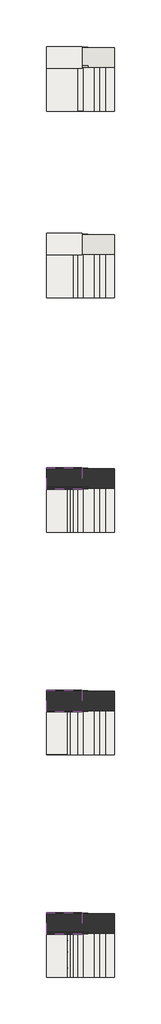
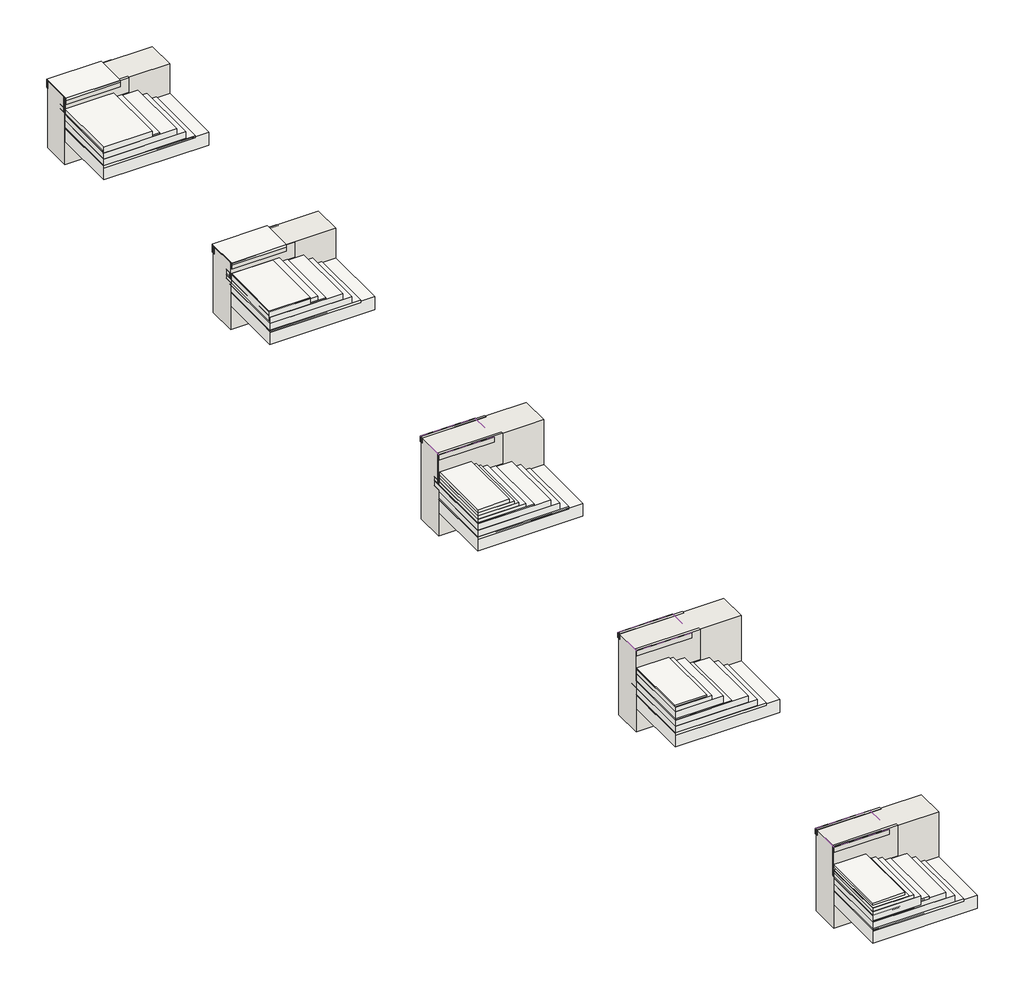
# One storey: 28 slabs, 25 walls, 16 coverings, 6 pipe segments.
"""IFC4 building model written with IfcOpenShell, lengths in millimetres."""

from ifc_helpers import new_model, si_unit, point, frame, frame_2d, origin, place, context, project, spatial, polyline, circle_curve, trimmed, segment, composite_curve, outline, extrude, faceted_brep, element, save

model = new_model("IFC4")

# Units and contexts
model_context = context("Model", 3, world=origin())
ifc_project = project(units=[si_unit("LENGTHUNIT", "METRE", prefix="MILLI")], contexts=[model_context])

# Site, building, storey
site = spatial("IfcSite", under=ifc_project)
building = spatial("IfcBuilding", under=site)
storey = spatial("IfcBuildingStorey", under=building, Elevation=0.0)

# Coverings
placement = place(None, origin())
element("IfcCovering", 1, at=placement, inside=storey, context=model_context, shape_type="SweptSolid", body=[
    extrude(outline(polyline([(-23182.5624154, 668.4541462), (-21182.5624154, 668.4541462), (-21182.5624154, -810.8477988), (-23182.5624154, -810.8477988), (-23182.5624154, 668.4541462)])), frame((0.0, 0.0, 179.3793099), z_axis=(0.0, 0.0, 1.0), x_axis=(1.0, 0.0, 0.0)), (0.0, 0.0, 1.0), 57.0),
])
element("IfcCovering", 2, at=placement, inside=storey, context=model_context, shape_type="SweptSolid", body=[
    extrude(outline(polyline([(-23182.5624154, 838.046695), (-21942.5624154, 838.046695), (-21942.5624154, -801.953305), (-23182.5624154, -801.953305), (-23182.5624154, 838.046695)])), frame((0.0, 0.0, 507.3951932), z_axis=(0.0, 0.0, 1.0), x_axis=(1.0, 0.0, 0.0)), (0.0, 0.0, 1.0), 52.0),
])
element("IfcCovering", 3, at=placement, inside=storey, context=model_context, shape_type="SweptSolid", body=[
    extrude(outline(polyline([(-23182.5624154, 1364.0290133), (-21982.5624154, 1364.0290133), (-21982.5624154, 636.787279), (-23182.5624154, 636.787279), (-23182.5624154, 1364.0290133)])), frame((0.0, 0.0, 870.0), z_axis=(0.0, 0.0, 1.0), x_axis=(1.0, 0.0, 0.0)), (0.0, 0.0, 1.0), 52.0),
])
element("IfcCovering", 4, at=placement, inside=storey, context=model_context, shape_type="SweptSolid", body=[
    extrude(outline(polyline([(-23182.5624154, 6968.4541462), (-21182.5624154, 6968.4541462), (-21182.5624154, 5489.1522012), (-23182.5624154, 5489.1522012), (-23182.5624154, 6968.4541462)])), frame((0.0, 0.0, 179.3793099), z_axis=(0.0, 0.0, 1.0), x_axis=(1.0, 0.0, 0.0)), (0.0, 0.0, 1.0), 57.0),
])
element("IfcCovering", 5, at=placement, inside=storey, context=model_context, shape_type="SweptSolid", body=[
    extrude(outline(polyline([(-23182.5624154, 7138.046695), (-21942.5624154, 7138.046695), (-21942.5624154, 5503.046695), (-23182.5624154, 5503.046695), (-23182.5624154, 7138.046695)])), frame((0.0, 0.0, 507.3951932), z_axis=(0.0, 0.0, 1.0), x_axis=(1.0, 0.0, 0.0)), (0.0, 0.0, 1.0), 52.0),
])
element("IfcCovering", 6, at=placement, inside=storey, context=model_context, shape_type="SweptSolid", body=[
    extrude(outline(polyline([(-23182.5624154, 7664.0290133), (-21982.5624154, 7664.0290133), (-21982.5624154, 6936.787279), (-23182.5624154, 6936.787279), (-23182.5624154, 7664.0290133)])), frame((0.0, 0.0, 870.0), z_axis=(0.0, 0.0, 1.0), x_axis=(1.0, 0.0, 0.0)), (0.0, 0.0, 1.0), 52.0),
])
element("IfcCovering", 7, at=placement, inside=storey, context=model_context, shape_type="SweptSolid", body=[
    extrude(outline(polyline([(-23182.5624154, -7231.5458538), (-21182.5624154, -7231.5458538), (-21182.5624154, -8710.8477988), (-23182.5624154, -8710.8477988), (-23182.5624154, -7231.5458538)])), frame((0.0, 0.0, 179.3793099), z_axis=(0.0, 0.0, 1.0), x_axis=(1.0, 0.0, 0.0)), (0.0, 0.0, 1.0), 57.0),
])
element("IfcCovering", 8, at=placement, inside=storey, context=model_context, shape_type="SweptSolid", body=[
    extrude(outline(polyline([(-23182.5624154, -7061.953305), (-21942.5624154, -7061.953305), (-21942.5624154, -8705.5927539), (-23182.5624154, -8705.5927539), (-23182.5624154, -7061.953305)])), frame((0.0, 0.0, 507.3951932), z_axis=(0.0, 0.0, 1.0), x_axis=(1.0, 0.0, 0.0)), (0.0, 0.0, 1.0), 52.0),
])
element("IfcCovering", 9, at=placement, inside=storey, context=model_context, shape_type="SweptSolid", body=[
    extrude(outline(polyline([(-23182.5624154, -6530.8983335), (-21982.5624154, -6530.8983335), (-21982.5624154, -7258.1400678), (-23182.5624154, -7258.1400678), (-23182.5624154, -6530.8983335)])), frame((0.0, 0.0, 1254.3055564), z_axis=(0.0, 0.0, 1.0), x_axis=(1.0, 0.0, 0.0)), (0.0, 0.0, 1.0), 52.0),
])
element("IfcCovering", 10, at=placement, inside=storey, context=model_context, shape_type="SweptSolid", body=[
    extrude(outline(polyline([(-23182.5624154, -14731.5458538), (-21182.5624154, -14731.5458538), (-21182.5624154, -16210.8477988), (-23182.5624154, -16210.8477988), (-23182.5624154, -14731.5458538)])), frame((0.0, 0.0, 179.3793099), z_axis=(0.0, 0.0, 1.0), x_axis=(1.0, 0.0, 0.0)), (0.0, 0.0, 1.0), 57.0),
])
element("IfcCovering", 11, at=placement, inside=storey, context=model_context, shape_type="SweptSolid", body=[
    extrude(outline(polyline([(-23182.5624154, -14561.953305), (-21942.5624154, -14561.953305), (-21942.5624154, -16208.7700458), (-23182.5624154, -16208.7700458), (-23182.5624154, -14561.953305)])), frame((0.0, 0.0, 507.3951932), z_axis=(0.0, 0.0, 1.0), x_axis=(1.0, 0.0, 0.0)), (0.0, 0.0, 1.0), 52.0),
])
element("IfcCovering", 12, at=placement, inside=storey, context=model_context, shape_type="SweptSolid", body=[
    extrude(outline(polyline([(-23182.5624154, -14033.7541097), (-21982.5624154, -14033.7541097), (-21982.5624154, -14760.9958441), (-23182.5624154, -14760.9958441), (-23182.5624154, -14033.7541097)])), frame((0.0, 0.0, 1254.3055564), z_axis=(0.0, 0.0, 1.0), x_axis=(1.0, 0.0, 0.0)), (0.0, 0.0, 1.0), 52.0),
])
element("IfcCovering", 13, at=placement, inside=storey, context=model_context, shape_type="SweptSolid", body=[
    extrude(outline(polyline([(-23182.5624154, -22231.5458538), (-21182.5624154, -22231.5458538), (-21182.5624154, -23710.8477988), (-23182.5624154, -23710.8477988), (-23182.5624154, -22231.5458538)])), frame((0.0, 0.0, 179.3793099), z_axis=(0.0, 0.0, 1.0), x_axis=(1.0, 0.0, 0.0)), (0.0, 0.0, 1.0), 57.0),
])
element("IfcCovering", 14, at=placement, inside=storey, context=model_context, shape_type="SweptSolid", body=[
    extrude(outline(polyline([(-23182.5624154, -22061.953305), (-21942.5624154, -22061.953305), (-21942.5624154, -23711.953305), (-23182.5624154, -23711.953305), (-23182.5624154, -22061.953305)])), frame((0.0, 0.0, 507.3951932), z_axis=(0.0, 0.0, 1.0), x_axis=(1.0, 0.0, 0.0)), (0.0, 0.0, 1.0), 52.0),
])
element("IfcCovering", 15, at=placement, inside=storey, context=model_context, shape_type="SweptSolid", body=[
    extrude(outline(polyline([(-23182.5624154, -22240.66973), (-22482.5624154, -22240.66973), (-22482.5624154, -23719.971675), (-23182.5624154, -23719.971675), (-23182.5624154, -22240.66973)])), frame((0.0, 0.0, 791.8317649), z_axis=(0.0, 0.0, 1.0), x_axis=(1.0, 0.0, 0.0)), (0.0, 0.0, 1.0), 52.0),
])
element("IfcCovering", 16, at=placement, inside=storey, context=model_context, shape_type="SweptSolid", body=[
    extrude(outline(polyline([(-23182.5624154, -21533.7541097), (-21982.5624154, -21533.7541097), (-21982.5624154, -22260.9958441), (-23182.5624154, -22260.9958441), (-23182.5624154, -21533.7541097)])), frame((0.0, 0.0, 1254.3055564), z_axis=(0.0, 0.0, 1.0), x_axis=(1.0, 0.0, 0.0)), (0.0, 0.0, 1.0), 52.0),
])

# Pipe segments
element("IfcPipeSegment", 17, at=placement, inside=storey, context=model_context, shape_type="SweptSolid", body=[
    extrude(outline(composite_curve([segment(trimmed(circle_curve(frame_2d((-22522.6890772, -23403.1916701)), 21.082), [point((-22543.7710772, -23403.1916701))], [point((-22522.6890772, -23382.1096701))], False, "CARTESIAN"), True, "CONTINUOUS"), segment(trimmed(circle_curve(frame_2d((-22522.6890772, -23403.1916701)), 21.082), [point((-22522.6890772, -23382.1096701))], [point((-22501.6070772, -23403.1916701))], False, "CARTESIAN"), True, "CONTINUOUS"), segment(trimmed(circle_curve(frame_2d((-22522.6890772, -23403.1916701)), 21.082), [point((-22501.6070772, -23403.1916701))], [point((-22522.6890772, -23424.2736701))], False, "CARTESIAN"), True, "CONTINUOUS"), segment(trimmed(circle_curve(frame_2d((-22522.6890772, -23403.1916701)), 21.082), [point((-22522.6890772, -23424.2736701))], [point((-22543.7710772, -23403.1916701))], False, "CARTESIAN"), True, "CONTINUOUS")], self_intersect=False)), frame((0.0, 0.0, 731.3853786), z_axis=(0.0, 0.0, 1.0), x_axis=(1.0, 0.0, 0.0)), (0.0, 0.0, 1.0), 55.0),
])
element("IfcPipeSegment", 18, at=placement, inside=storey, context=model_context, shape_type="SweptSolid", body=[
    extrude(outline(composite_curve([segment(trimmed(circle_curve(frame_2d((-22522.6890772, -23403.1916701)), 57.15), [point((-22579.8390772, -23403.1916701))], [point((-22522.6890772, -23346.0416701))], False, "CARTESIAN"), True, "CONTINUOUS"), segment(trimmed(circle_curve(frame_2d((-22522.6890772, -23403.1916701)), 57.15), [point((-22522.6890772, -23346.0416701))], [point((-22465.5390772, -23403.1916701))], False, "CARTESIAN"), True, "CONTINUOUS"), segment(trimmed(circle_curve(frame_2d((-22522.6890772, -23403.1916701)), 57.15), [point((-22465.5390772, -23403.1916701))], [point((-22522.6890772, -23460.3416701))], False, "CARTESIAN"), True, "CONTINUOUS"), segment(trimmed(circle_curve(frame_2d((-22522.6890772, -23403.1916701)), 57.15), [point((-22522.6890772, -23460.3416701))], [point((-22579.8390772, -23403.1916701))], False, "CARTESIAN"), True, "CONTINUOUS")], self_intersect=False)), frame((0.0, 0.0, 731.3853786), z_axis=(0.0, 0.0, 1.0), x_axis=(1.0, 0.0, 0.0)), (0.0, 0.0, 1.0), 20.0),
])
element("IfcPipeSegment", 19, at=placement, inside=storey, context=model_context, shape_type="SweptSolid", body=[
    extrude(outline(composite_curve([segment(trimmed(circle_curve(frame_2d((-22522.6890772, -22868.3408869)), 21.082), [point((-22543.7710772, -22868.3408869))], [point((-22522.6890772, -22847.2588869))], False, "CARTESIAN"), True, "CONTINUOUS"), segment(trimmed(circle_curve(frame_2d((-22522.6890772, -22868.3408869)), 21.082), [point((-22522.6890772, -22847.2588869))], [point((-22501.6070772, -22868.3408869))], False, "CARTESIAN"), True, "CONTINUOUS"), segment(trimmed(circle_curve(frame_2d((-22522.6890772, -22868.3408869)), 21.082), [point((-22501.6070772, -22868.3408869))], [point((-22522.6890772, -22889.4228869))], False, "CARTESIAN"), True, "CONTINUOUS"), segment(trimmed(circle_curve(frame_2d((-22522.6890772, -22868.3408869)), 21.082), [point((-22522.6890772, -22889.4228869))], [point((-22543.7710772, -22868.3408869))], False, "CARTESIAN"), True, "CONTINUOUS")], self_intersect=False)), frame((0.0, 0.0, 731.3853786), z_axis=(0.0, 0.0, 1.0), x_axis=(1.0, 0.0, 0.0)), (0.0, 0.0, 1.0), 55.0),
])
element("IfcPipeSegment", 20, at=placement, inside=storey, context=model_context, shape_type="SweptSolid", body=[
    extrude(outline(composite_curve([segment(trimmed(circle_curve(frame_2d((-22522.6890772, -22868.3408869)), 57.15), [point((-22579.8390772, -22868.3408869))], [point((-22522.6890772, -22811.1908869))], False, "CARTESIAN"), True, "CONTINUOUS"), segment(trimmed(circle_curve(frame_2d((-22522.6890772, -22868.3408869)), 57.15), [point((-22522.6890772, -22811.1908869))], [point((-22465.5390772, -22868.3408869))], False, "CARTESIAN"), True, "CONTINUOUS"), segment(trimmed(circle_curve(frame_2d((-22522.6890772, -22868.3408869)), 57.15), [point((-22465.5390772, -22868.3408869))], [point((-22522.6890772, -22925.4908869))], False, "CARTESIAN"), True, "CONTINUOUS"), segment(trimmed(circle_curve(frame_2d((-22522.6890772, -22868.3408869)), 57.15), [point((-22522.6890772, -22925.4908869))], [point((-22579.8390772, -22868.3408869))], False, "CARTESIAN"), True, "CONTINUOUS")], self_intersect=False)), frame((0.0, 0.0, 731.3853786), z_axis=(0.0, 0.0, 1.0), x_axis=(1.0, 0.0, 0.0)), (0.0, 0.0, 1.0), 20.0),
])
element("IfcPipeSegment", 21, at=placement, inside=storey, context=model_context, shape_type="SweptSolid", body=[
    extrude(outline(composite_curve([segment(trimmed(circle_curve(frame_2d((-22522.6890772, -22480.5314831)), 21.082), [point((-22543.7710772, -22480.5314831))], [point((-22522.6890772, -22459.4494831))], False, "CARTESIAN"), True, "CONTINUOUS"), segment(trimmed(circle_curve(frame_2d((-22522.6890772, -22480.5314831)), 21.082), [point((-22522.6890772, -22459.4494831))], [point((-22501.6070772, -22480.5314831))], False, "CARTESIAN"), True, "CONTINUOUS"), segment(trimmed(circle_curve(frame_2d((-22522.6890772, -22480.5314831)), 21.082), [point((-22501.6070772, -22480.5314831))], [point((-22522.6890772, -22501.6134831))], False, "CARTESIAN"), True, "CONTINUOUS"), segment(trimmed(circle_curve(frame_2d((-22522.6890772, -22480.5314831)), 21.082), [point((-22522.6890772, -22501.6134831))], [point((-22543.7710772, -22480.5314831))], False, "CARTESIAN"), True, "CONTINUOUS")], self_intersect=False)), frame((0.0, 0.0, 731.3853786), z_axis=(0.0, 0.0, 1.0), x_axis=(1.0, 0.0, 0.0)), (0.0, 0.0, 1.0), 55.0),
])
element("IfcPipeSegment", 22, at=placement, inside=storey, context=model_context, shape_type="SweptSolid", body=[
    extrude(outline(composite_curve([segment(trimmed(circle_curve(frame_2d((-22522.6890772, -22480.5314831)), 57.15), [point((-22579.8390772, -22480.5314831))], [point((-22522.6890772, -22423.3814831))], False, "CARTESIAN"), True, "CONTINUOUS"), segment(trimmed(circle_curve(frame_2d((-22522.6890772, -22480.5314831)), 57.15), [point((-22522.6890772, -22423.3814831))], [point((-22465.5390772, -22480.5314831))], False, "CARTESIAN"), True, "CONTINUOUS"), segment(trimmed(circle_curve(frame_2d((-22522.6890772, -22480.5314831)), 57.15), [point((-22465.5390772, -22480.5314831))], [point((-22522.6890772, -22537.6814831))], False, "CARTESIAN"), True, "CONTINUOUS"), segment(trimmed(circle_curve(frame_2d((-22522.6890772, -22480.5314831)), 57.15), [point((-22522.6890772, -22537.6814831))], [point((-22579.8390772, -22480.5314831))], False, "CARTESIAN"), True, "CONTINUOUS")], self_intersect=False)), frame((0.0, 0.0, 731.3853786), z_axis=(0.0, 0.0, 1.0), x_axis=(1.0, 0.0, 0.0)), (0.0, 0.0, 1.0), 20.0),
])

# Slabs
element("IfcSlab", 23, at=placement, inside=storey, context=model_context, shape_type="SweptSolid", body=[
    extrude(outline(polyline([(-23182.5624154, 669.0290133), (-20882.5624154, 669.0290133), (-20882.5624154, -810.2729317), (-23182.5624154, -810.2729317), (-23182.5624154, 669.0290133)])), frame((0.0, 0.0, -90.0), z_axis=(0.0, 0.0, 1.0), x_axis=(1.0, 0.0, 0.0)), (0.0, 0.0, 1.0), 300.0),
])
element("IfcSlab", 24, at=placement, inside=storey, context=model_context, shape_type="SweptSolid", body=[
    extrude(outline(polyline([(-23182.5624154, 840.0924128), (-21382.5624154, 840.0924128), (-21382.5624154, -810.8477988), (-23182.5624154, -810.8477988), (-23182.5624154, 840.0924128)])), frame((0.0, 0.0, 240.0), z_axis=(0.0, 0.0, 1.0), x_axis=(1.0, 0.0, 0.0)), (0.0, 0.0, 1.0), 150.0),
])
element("IfcSlab", 25, at=placement, inside=storey, context=model_context, shape_type="SweptSolid", body=[
    extrude(outline(polyline([(-23182.5624154, 840.3544261), (-21582.5624154, 840.3544261), (-21582.5624154, -810.5857855), (-23182.5624154, -810.5857855), (-23182.5624154, 840.3544261)])), frame((0.0, 0.0, 380.0), z_axis=(0.0, 0.0, 1.0), x_axis=(1.0, 0.0, 0.0)), (0.0, 0.0, 1.0), 150.0),
])
element("IfcSlab", 26, at=placement, inside=storey, context=model_context, shape_type="Brep", body=[
    faceted_brep([(-23182.5624154, 840.3544261, 450.0), (-22122.5624154, 840.3544261, 450.0), (-22122.5624154, 669.0290133, 450.0), (-22122.5624154, -801.953305, 450.0), (-23182.5624154, -801.953305, 450.0), (-23182.5624154, 669.0290133, 450.0), (-23182.5624154, 840.3544261, 660.0), (-23182.5624154, 669.0290133, 660.0), (-23182.5624154, -801.953305, 660.0), (-22122.5624154, -801.953305, 660.0), (-22122.5624154, 669.0290133, 660.0), (-22122.5624154, 840.3544261, 660.0)], [[[0, 1, 2, 3, 4, 5]], [[6, 7, 8, 9, 10, 11]], [[1, 0, 6, 11]], [[3, 2, 1, 11, 10, 9]], [[4, 3, 9, 8]], [[0, 5, 4, 8, 7, 6]]]),
])
element("IfcSlab", 27, at=placement, inside=storey, context=model_context, shape_type="SweptSolid", body=[
    extrude(outline(polyline([(-23182.5624154, 636.787279), (-22282.5624154, 636.787279), (-22282.5624154, -801.953305), (-23182.5624154, -801.953305), (-23182.5624154, 636.787279)])), frame((0.0, 0.0, 450.0), z_axis=(0.0, 0.0, 1.0), x_axis=(1.0, 0.0, 0.0)), (0.0, 0.0, 1.0), 225.0),
])
element("IfcSlab", 28, at=placement, inside=storey, context=model_context, shape_type="SweptSolid", body=[
    extrude(outline(polyline([(-23182.5624154, 6969.0290133), (-20882.5624154, 6969.0290133), (-20882.5624154, 5489.7270683), (-23182.5624154, 5489.7270683), (-23182.5624154, 6969.0290133)])), frame((0.0, 0.0, -90.0), z_axis=(0.0, 0.0, 1.0), x_axis=(1.0, 0.0, 0.0)), (0.0, 0.0, 1.0), 300.0),
])
element("IfcSlab", 29, at=placement, inside=storey, context=model_context, shape_type="SweptSolid", body=[
    extrude(outline(polyline([(-23182.5624154, 7140.0924128), (-21382.5624154, 7140.0924128), (-21382.5624154, 5489.1522012), (-23182.5624154, 5489.1522012), (-23182.5624154, 7140.0924128)])), frame((0.0, 0.0, 240.0), z_axis=(0.0, 0.0, 1.0), x_axis=(1.0, 0.0, 0.0)), (0.0, 0.0, 1.0), 150.0),
])
element("IfcSlab", 30, at=placement, inside=storey, context=model_context, shape_type="SweptSolid", body=[
    extrude(outline(polyline([(-23182.5624154, 7140.3544261), (-21582.5624154, 7140.3544261), (-21582.5624154, 5489.4142145), (-23182.5624154, 5489.4142145), (-23182.5624154, 7140.3544261)])), frame((0.0, 0.0, 380.0), z_axis=(0.0, 0.0, 1.0), x_axis=(1.0, 0.0, 0.0)), (0.0, 0.0, 1.0), 150.0),
])
element("IfcSlab", 31, at=placement, inside=storey, context=model_context, shape_type="SweptSolid", body=[
    extrude(outline(polyline([(-23182.5624154, 7140.3544261), (-22122.5624154, 7140.3544261), (-22122.5624154, 5489.4142145), (-23182.5624154, 5489.4142145), (-23182.5624154, 7140.3544261)])), frame((0.0, 0.0, 450.0), z_axis=(0.0, 0.0, 1.0), x_axis=(1.0, 0.0, 0.0)), (0.0, 0.0, 1.0), 210.0),
])
element("IfcSlab", 32, at=placement, inside=storey, context=model_context, shape_type="SweptSolid", body=[
    extrude(outline(polyline([(-23182.5624154, -7230.9709867), (-20882.5624154, -7230.9709867), (-20882.5624154, -8710.2729317), (-23182.5624154, -8710.2729317), (-23182.5624154, -7230.9709867)])), frame((0.0, 0.0, -90.0), z_axis=(0.0, 0.0, 1.0), x_axis=(1.0, 0.0, 0.0)), (0.0, 0.0, 1.0), 300.0),
])
element("IfcSlab", 33, at=placement, inside=storey, context=model_context, shape_type="SweptSolid", body=[
    extrude(outline(polyline([(-23182.5624154, -7059.9075872), (-21382.5624154, -7059.9075872), (-21382.5624154, -8710.8477988), (-23182.5624154, -8710.8477988), (-23182.5624154, -7059.9075872)])), frame((0.0, 0.0, 240.0), z_axis=(0.0, 0.0, 1.0), x_axis=(1.0, 0.0, 0.0)), (0.0, 0.0, 1.0), 150.0),
])
element("IfcSlab", 34, at=placement, inside=storey, context=model_context, shape_type="SweptSolid", body=[
    extrude(outline(polyline([(-23182.5624154, -7059.6455739), (-21582.5624154, -7059.6455739), (-21582.5624154, -8710.5857855), (-23182.5624154, -8710.5857855), (-23182.5624154, -7059.6455739)])), frame((0.0, 0.0, 380.0), z_axis=(0.0, 0.0, 1.0), x_axis=(1.0, 0.0, 0.0)), (0.0, 0.0, 1.0), 150.0),
])
element("IfcSlab", 35, at=placement, inside=storey, context=model_context, shape_type="Brep", body=[
    faceted_brep([(-23182.5624154, -7059.6455739, 430.0), (-22122.5624154, -7059.6455739, 430.0), (-22122.5624154, -7230.9709867, 430.0), (-22122.5624154, -8705.5927539, 430.0), (-23182.5624154, -8705.5927539, 430.0), (-23182.5624154, -7230.9709867, 430.0), (-23182.5624154, -7059.6455739, 640.0), (-23182.5624154, -7230.9709867, 640.0), (-23182.5624154, -8705.5927539, 640.0), (-22122.5624154, -8705.5927539, 640.0), (-22122.5624154, -7230.9709867, 640.0), (-22122.5624154, -7059.6455739, 640.0)], [[[0, 1, 2, 3, 4, 5]], [[6, 7, 8, 9, 10, 11]], [[1, 0, 6, 11]], [[3, 2, 1, 11, 10, 9]], [[4, 3, 9, 8]], [[0, 5, 4, 8, 7, 6]]]),
])
element("IfcSlab", 36, at=placement, inside=storey, context=model_context, shape_type="SweptSolid", body=[
    extrude(outline(polyline([(-23182.5624154, -7263.212721), (-22282.5624154, -7263.212721), (-22282.5624154, -8705.5927539), (-23182.5624154, -8705.5927539), (-23182.5624154, -7263.212721)])), frame((0.0, 0.0, 413.8060402), z_axis=(0.0, 0.0, 1.0), x_axis=(1.0, 0.0, 0.0)), (0.0, 0.0, 1.0), 300.0),
])
element("IfcSlab", 37, at=placement, inside=storey, context=model_context, shape_type="SweptSolid", body=[
    extrude(outline(polyline([(-23182.5624154, -7263.5707627), (-22382.5624154, -7263.5707627), (-22382.5624154, -8705.5927539), (-23182.5624154, -8705.5927539), (-23182.5624154, -7263.5707627)])), frame((0.0, 0.0, 560.0), z_axis=(0.0, 0.0, 1.0), x_axis=(1.0, 0.0, 0.0)), (0.0, 0.0, 1.0), 225.0),
])
element("IfcSlab", 38, at=placement, inside=storey, context=model_context, shape_type="SweptSolid", body=[
    extrude(outline(polyline([(-23182.5624154, -7261.6262456), (-22482.5624154, -7261.6262456), (-22482.5624154, -8705.5927539), (-23182.5624154, -8705.5927539), (-23182.5624154, -7261.6262456)])), frame((0.0, 0.0, 500.0), z_axis=(0.0, 0.0, 1.0), x_axis=(1.0, 0.0, 0.0)), (0.0, 0.0, 1.0), 362.0),
])
element("IfcSlab", 39, at=placement, inside=storey, context=model_context, shape_type="SweptSolid", body=[
    extrude(outline(polyline([(-23182.5624154, -14730.9709867), (-20882.5624154, -14730.9709867), (-20882.5624154, -16210.2729317), (-23182.5624154, -16210.2729317), (-23182.5624154, -14730.9709867)])), frame((0.0, 0.0, -90.0), z_axis=(0.0, 0.0, 1.0), x_axis=(1.0, 0.0, 0.0)), (0.0, 0.0, 1.0), 300.0),
])
element("IfcSlab", 40, at=placement, inside=storey, context=model_context, shape_type="SweptSolid", body=[
    extrude(outline(polyline([(-23182.5624154, -14559.9075872), (-21382.5624154, -14559.9075872), (-21382.5624154, -16210.8477988), (-23182.5624154, -16210.8477988), (-23182.5624154, -14559.9075872)])), frame((0.0, 0.0, 240.0), z_axis=(0.0, 0.0, 1.0), x_axis=(1.0, 0.0, 0.0)), (0.0, 0.0, 1.0), 150.0),
])
element("IfcSlab", 41, at=placement, inside=storey, context=model_context, shape_type="SweptSolid", body=[
    extrude(outline(polyline([(-23182.5624154, -14559.6455739), (-21582.5624154, -14559.6455739), (-21582.5624154, -16210.5857855), (-23182.5624154, -16210.5857855), (-23182.5624154, -14559.6455739)])), frame((0.0, 0.0, 380.0), z_axis=(0.0, 0.0, 1.0), x_axis=(1.0, 0.0, 0.0)), (0.0, 0.0, 1.0), 150.0),
])
element("IfcSlab", 42, at=placement, inside=storey, context=model_context, shape_type="SweptSolid", body=[
    extrude(outline(polyline([(-23182.5624154, -14559.6455739), (-22122.5624154, -14559.6455739), (-22122.5624154, -16208.7700458), (-23182.5624154, -16208.7700458), (-23182.5624154, -14559.6455739)])), frame((0.0, 0.0, 512.4574857), z_axis=(0.0, 0.0, 1.0), x_axis=(1.0, 0.0, 0.0)), (0.0, 0.0, 1.0), 210.0),
])
element("IfcSlab", 43, at=placement, inside=storey, context=model_context, shape_type="SweptSolid", body=[
    extrude(outline(polyline([(-23182.5624154, -14759.7109913), (-22382.5624154, -14759.7109913), (-22382.5624154, -16207.6374119), (-23182.5624154, -16207.6374119), (-23182.5624154, -14759.7109913)])), frame((0.0, 0.0, 606.3172572), z_axis=(0.0, 0.0, 1.0), x_axis=(1.0, 0.0, 0.0)), (0.0, 0.0, 1.0), 225.0),
])
element("IfcSlab", 44, at=placement, inside=storey, context=model_context, shape_type="SweptSolid", body=[
    extrude(outline(polyline([(-23182.5624154, -14761.6262456), (-22482.5624154, -14761.6262456), (-22482.5624154, -16196.6262456), (-23182.5624154, -16196.6262456), (-23182.5624154, -14761.6262456)])), frame((0.0, 0.0, 500.0), z_axis=(0.0, 0.0, 1.0), x_axis=(1.0, 0.0, 0.0)), (0.0, 0.0, 1.0), 362.0),
])
element("IfcSlab", 45, at=placement, inside=storey, context=model_context, shape_type="SweptSolid", body=[
    extrude(outline(polyline([(-23182.5624154, -22230.9709867), (-20882.5624154, -22230.9709867), (-20882.5624154, -23710.2729317), (-23182.5624154, -23710.2729317), (-23182.5624154, -22230.9709867)])), frame((0.0, 0.0, -90.0), z_axis=(0.0, 0.0, 1.0), x_axis=(1.0, 0.0, 0.0)), (0.0, 0.0, 1.0), 300.0),
])
element("IfcSlab", 46, at=placement, inside=storey, context=model_context, shape_type="SweptSolid", body=[
    extrude(outline(polyline([(-23182.5624154, -22059.9075872), (-21382.5624154, -22059.9075872), (-21382.5624154, -23710.8477988), (-23182.5624154, -23710.8477988), (-23182.5624154, -22059.9075872)])), frame((0.0, 0.0, 240.0), z_axis=(0.0, 0.0, 1.0), x_axis=(1.0, 0.0, 0.0)), (0.0, 0.0, 1.0), 150.0),
])
element("IfcSlab", 47, at=placement, inside=storey, context=model_context, shape_type="SweptSolid", body=[
    extrude(outline(polyline([(-23182.5624154, -22059.6455739), (-21582.5624154, -22059.6455739), (-21582.5624154, -23710.5857855), (-23182.5624154, -23710.5857855), (-23182.5624154, -22059.6455739)])), frame((0.0, 0.0, 380.0), z_axis=(0.0, 0.0, 1.0), x_axis=(1.0, 0.0, 0.0)), (0.0, 0.0, 1.0), 150.0),
])
element("IfcSlab", 48, at=placement, inside=storey, context=model_context, shape_type="SweptSolid", body=[
    extrude(outline(polyline([(-23182.5624154, -22059.6455739), (-22122.5624154, -22059.6455739), (-22122.5624154, -23713.526454), (-23182.5624154, -23713.526454), (-23182.5624154, -22059.6455739)])), frame((0.0, 0.0, 430.0), z_axis=(0.0, 0.0, 1.0), x_axis=(1.0, 0.0, 0.0)), (0.0, 0.0, 1.0), 210.0),
])
element("IfcSlab", 49, at=placement, inside=storey, context=model_context, shape_type="SweptSolid", body=[
    extrude(outline(polyline([(-23182.5624154, -22263.212721), (-22282.5624154, -22263.212721), (-22282.5624154, -23711.1391417), (-23182.5624154, -23711.1391417), (-23182.5624154, -22263.212721)])), frame((0.0, 0.0, 413.8060402), z_axis=(0.0, 0.0, 1.0), x_axis=(1.0, 0.0, 0.0)), (0.0, 0.0, 1.0), 300.0),
])
element("IfcSlab", 50, at=placement, inside=storey, context=model_context, shape_type="SweptSolid", body=[
    extrude(outline(polyline([(-23182.5624154, -22261.9118761), (-22382.5624154, -22261.9118761), (-22382.5624154, -23709.8382967), (-23182.5624154, -23709.8382967), (-23182.5624154, -22261.9118761)])), frame((0.0, 0.0, 503.5978561), z_axis=(0.0, 0.0, 1.0), x_axis=(1.0, 0.0, 0.0)), (0.0, 0.0, 1.0), 225.0),
])

# Walls
element("IfcWall", 51, at=placement, inside=storey, context=model_context, shape_type="Brep", body=[
    faceted_brep([(-20882.5624154, 1324.0290133, -640.6206901), (-23182.5624154, 1324.0290133, -640.6206901), (-23182.5624154, 1324.0290133, 900.0), (-20882.5624154, 1324.0290133, 900.0), (-23182.5624154, 669.0290133, -640.6206901), (-20882.5624154, 669.0290133, -640.6206901), (-20882.5624154, 669.0290133, -90.0), (-20882.5624154, 669.0290133, 210.0), (-20882.5624154, 669.0290133, 900.0), (-23182.5624154, 669.0290133, 900.0), (-23182.5624154, 669.0290133, 660.0), (-22122.5624154, 669.0290133, 660.0), (-22122.5624154, 669.0290133, 450.0), (-23182.5624154, 669.0290133, 450.0), (-23182.5624154, 669.0290133, 210.0), (-23182.5624154, 669.0290133, -90.0), (-23182.5624154, 840.3544261, 450.0), (-23182.5624154, 840.3544261, 660.0), (-22122.5624154, 840.3544261, 450.0), (-22122.5624154, 840.3544261, 660.0)], [[[0, 1, 2, 3]], [[4, 5, 6, 7, 8, 9, 10, 11, 12, 13, 14, 15]], [[1, 0, 5, 4]], [[2, 1, 4, 15, 14, 13, 16, 17, 10, 9]], [[3, 2, 9, 8]], [[0, 3, 8, 7, 6, 5]], [[18, 16, 13, 12]], [[17, 19, 11, 10]], [[16, 18, 19, 17]], [[19, 18, 12, 11]]]),
])
element("IfcWall", 52, at=placement, inside=storey, context=model_context, shape_type="SweptSolid", body=[
    extrude(outline(polyline([(-23182.5624154, 1339.0290133), (-21782.5624154, 1339.0290133), (-21782.5624154, 1289.0290133), (-23182.5624154, 1289.0290133), (-23182.5624154, 1339.0290133)])), frame((0.0, 0.0, 734.3055564), z_axis=(0.0, 0.0, 1.0), x_axis=(1.0, 0.0, 0.0)), (0.0, 0.0, 1.0), 165.6944436),
])
element("IfcWall", 53, at=placement, inside=storey, context=model_context, shape_type="SweptSolid", body=[
    extrude(outline(polyline([(-23182.5624154, 709.0290133), (-21782.5624154, 709.0290133), (-21782.5624154, 659.0290133), (-23182.5624154, 659.0290133), (-23182.5624154, 709.0290133)])), frame((0.0, 0.0, 556.4497982), z_axis=(0.0, 0.0, 1.0), x_axis=(1.0, 0.0, 0.0)), (0.0, 0.0, 1.0), 343.5502018),
])
element("IfcWall", 54, at=placement, inside=storey, context=model_context, shape_type="SweptSolid", body=[
    extrude(outline(polyline([(-23182.5624154, 1364.0290133), (-21982.5624154, 1364.0290133), (-21982.5624154, 1314.0290133), (-23182.5624154, 1314.0290133), (-23182.5624154, 1364.0290133)])), frame((0.0, 0.0, 734.3055564), z_axis=(0.0, 0.0, 1.0), x_axis=(1.0, 0.0, 0.0)), (0.0, 0.0, 1.0), 175.6944436),
])
element("IfcWall", 55, at=placement, inside=storey, context=model_context, shape_type="SweptSolid", body=[
    extrude(outline(polyline([(-23182.5624154, 689.0041559), (-21982.5624154, 689.0041559), (-21982.5624154, 639.0041559), (-23182.5624154, 639.0041559), (-23182.5624154, 689.0041559)])), frame((0.0, 0.0, 773.8060402), z_axis=(0.0, 0.0, 1.0), x_axis=(1.0, 0.0, 0.0)), (0.0, 0.0, 1.0), 136.1939598),
])
element("IfcWall", 56, at=placement, inside=storey, context=model_context, shape_type="Brep", body=[
    faceted_brep([(-20882.5624154, 7624.0290133, -640.6206901), (-23182.5624154, 7624.0290133, -640.6206901), (-23182.5624154, 7624.0290133, 900.0), (-20882.5624154, 7624.0290133, 900.0), (-20882.5624154, 6969.0290133, -640.6206901), (-20882.5624154, 6969.0290133, -90.0), (-20882.5624154, 6969.0290133, 210.0), (-20882.5624154, 6969.0290133, 900.0), (-23182.5624154, 6969.0290133, 900.0), (-23182.5624154, 6969.0290133, 210.0), (-23182.5624154, 6969.0290133, -90.0), (-23182.5624154, 6969.0290133, -640.6206901)], [[[0, 1, 2, 3]], [[4, 5, 6, 7, 8, 9, 10, 11]], [[1, 0, 4, 11]], [[2, 1, 11, 10, 9, 8]], [[3, 2, 8, 7]], [[0, 3, 7, 6, 5, 4]]]),
])
element("IfcWall", 57, at=placement, inside=storey, context=model_context, shape_type="SweptSolid", body=[
    extrude(outline(polyline([(-23182.5624154, 7639.0290133), (-21782.5624154, 7639.0290133), (-21782.5624154, 7589.0290133), (-23182.5624154, 7589.0290133), (-23182.5624154, 7639.0290133)])), frame((0.0, 0.0, 734.3055564), z_axis=(0.0, 0.0, 1.0), x_axis=(1.0, 0.0, 0.0)), (0.0, 0.0, 1.0), 165.6944436),
])
element("IfcWall", 58, at=placement, inside=storey, context=model_context, shape_type="SweptSolid", body=[
    extrude(outline(polyline([(-23182.5624154, 7009.0290133), (-21782.5624154, 7009.0290133), (-21782.5624154, 6959.0290133), (-23182.5624154, 6959.0290133), (-23182.5624154, 7009.0290133)])), frame((0.0, 0.0, 556.4497982), z_axis=(0.0, 0.0, 1.0), x_axis=(1.0, 0.0, 0.0)), (0.0, 0.0, 1.0), 343.5502018),
])
element("IfcWall", 59, at=placement, inside=storey, context=model_context, shape_type="SweptSolid", body=[
    extrude(outline(polyline([(-23182.5624154, 7664.0290133), (-21982.5624154, 7664.0290133), (-21982.5624154, 7614.0290133), (-23182.5624154, 7614.0290133), (-23182.5624154, 7664.0290133)])), frame((0.0, 0.0, 734.3055564), z_axis=(0.0, 0.0, 1.0), x_axis=(1.0, 0.0, 0.0)), (0.0, 0.0, 1.0), 175.6944436),
])
element("IfcWall", 60, at=placement, inside=storey, context=model_context, shape_type="SweptSolid", body=[
    extrude(outline(polyline([(-23182.5624154, 6989.0041559), (-21982.5624154, 6989.0041559), (-21982.5624154, 6939.0041559), (-23182.5624154, 6939.0041559), (-23182.5624154, 6989.0041559)])), frame((0.0, 0.0, 773.8060402), z_axis=(0.0, 0.0, 1.0), x_axis=(1.0, 0.0, 0.0)), (0.0, 0.0, 1.0), 136.1939598),
])
element("IfcWall", 61, at=placement, inside=storey, context=model_context, shape_type="Brep", body=[
    faceted_brep([(-20882.5624154, -6575.9709867, -640.6206901), (-23182.5624154, -6575.9709867, -640.6206901), (-23182.5624154, -6575.9709867, 1254.3055564), (-20882.5624154, -6575.9709867, 1254.3055564), (-23182.5624154, -7230.9709867, -640.6206901), (-20882.5624154, -7230.9709867, -640.6206901), (-20882.5624154, -7230.9709867, -90.0), (-20882.5624154, -7230.9709867, 210.0), (-20882.5624154, -7230.9709867, 1254.3055564), (-23182.5624154, -7230.9709867, 1254.3055564), (-23182.5624154, -7230.9709867, 640.0), (-22122.5624154, -7230.9709867, 640.0), (-22122.5624154, -7230.9709867, 430.0), (-23182.5624154, -7230.9709867, 430.0), (-23182.5624154, -7230.9709867, 210.0), (-23182.5624154, -7230.9709867, -90.0), (-23182.5624154, -7059.6455739, 430.0), (-23182.5624154, -7059.6455739, 640.0), (-22122.5624154, -7059.6455739, 430.0), (-22122.5624154, -7059.6455739, 640.0)], [[[0, 1, 2, 3]], [[4, 5, 6, 7, 8, 9, 10, 11, 12, 13, 14, 15]], [[1, 0, 5, 4]], [[2, 1, 4, 15, 14, 13, 16, 17, 10, 9]], [[3, 2, 9, 8]], [[0, 3, 8, 7, 6, 5]], [[18, 16, 13, 12]], [[17, 19, 11, 10]], [[16, 18, 19, 17]], [[19, 18, 12, 11]]]),
])
element("IfcWall", 62, at=placement, inside=storey, context=model_context, shape_type="SweptSolid", body=[
    extrude(outline(polyline([(-23182.5624154, -6560.9709867), (-21782.5624154, -6560.9709867), (-21782.5624154, -6610.9709867), (-23182.5624154, -6610.9709867), (-23182.5624154, -6560.9709867)])), frame((0.0, 0.0, 1135.1358729), z_axis=(0.0, 0.0, 1.0), x_axis=(1.0, 0.0, 0.0)), (0.0, 0.0, 1.0), 124.390275),
])
element("IfcWall", 63, at=placement, inside=storey, context=model_context, shape_type="SweptSolid", body=[
    extrude(outline(polyline([(-23182.5624154, -7190.9709867), (-21782.5624154, -7190.9709867), (-21782.5624154, -7240.9709867), (-23182.5624154, -7240.9709867), (-23182.5624154, -7190.9709867)])), frame((0.0, 0.0, 556.4497982), z_axis=(0.0, 0.0, 1.0), x_axis=(1.0, 0.0, 0.0)), (0.0, 0.0, 1.0), 703.5502018),
])
element("IfcWall", 64, at=placement, inside=storey, context=model_context, shape_type="SweptSolid", body=[
    extrude(outline(polyline([(-23182.5624154, -6535.9709867), (-21982.5624154, -6535.9709867), (-21982.5624154, -6585.9709867), (-23182.5624154, -6585.9709867), (-23182.5624154, -6535.9709867)])), frame((0.0, 0.0, 1131.3607465), z_axis=(0.0, 0.0, 1.0), x_axis=(1.0, 0.0, 0.0)), (0.0, 0.0, 1.0), 122.9448099),
])
element("IfcWall", 65, at=placement, inside=storey, context=model_context, shape_type="SweptSolid", body=[
    extrude(outline(polyline([(-23182.5624154, -7210.9958441), (-21982.5624154, -7210.9958441), (-21982.5624154, -7260.9958441), (-23182.5624154, -7260.9958441), (-23182.5624154, -7210.9958441)])), frame((0.0, 0.0, 1138.8977316), z_axis=(0.0, 0.0, 1.0), x_axis=(1.0, 0.0, 0.0)), (0.0, 0.0, 1.0), 115.4078248),
])
element("IfcWall", 66, at=placement, inside=storey, context=model_context, shape_type="Brep", body=[
    faceted_brep([(-20882.5624154, -14075.9709867, -640.6206901), (-23182.5624154, -14075.9709867, -640.6206901), (-23182.5624154, -14075.9709867, 1254.3055564), (-20882.5624154, -14075.9709867, 1254.3055564), (-20882.5624154, -14730.9709867, -640.6206901), (-20882.5624154, -14730.9709867, -90.0), (-20882.5624154, -14730.9709867, 210.0), (-20882.5624154, -14730.9709867, 1254.3055564), (-23182.5624154, -14730.9709867, 1254.3055564), (-23182.5624154, -14730.9709867, 210.0), (-23182.5624154, -14730.9709867, -90.0), (-23182.5624154, -14730.9709867, -640.6206901)], [[[0, 1, 2, 3]], [[4, 5, 6, 7, 8, 9, 10, 11]], [[1, 0, 4, 11]], [[2, 1, 11, 10, 9, 8]], [[3, 2, 8, 7]], [[0, 3, 7, 6, 5, 4]]]),
])
element("IfcWall", 67, at=placement, inside=storey, context=model_context, shape_type="SweptSolid", body=[
    extrude(outline(polyline([(-23182.5624154, -14060.9709867), (-21782.5624154, -14060.9709867), (-21782.5624154, -14110.9709867), (-23182.5624154, -14110.9709867), (-23182.5624154, -14060.9709867)])), frame((0.0, 0.0, 1135.1358729), z_axis=(0.0, 0.0, 1.0), x_axis=(1.0, 0.0, 0.0)), (0.0, 0.0, 1.0), 124.390275),
])
element("IfcWall", 68, at=placement, inside=storey, context=model_context, shape_type="SweptSolid", body=[
    extrude(outline(polyline([(-23182.5624154, -14690.9709867), (-21782.5624154, -14690.9709867), (-21782.5624154, -14740.9709867), (-23182.5624154, -14740.9709867), (-23182.5624154, -14690.9709867)])), frame((0.0, 0.0, 556.4497982), z_axis=(0.0, 0.0, 1.0), x_axis=(1.0, 0.0, 0.0)), (0.0, 0.0, 1.0), 703.5502018),
])
element("IfcWall", 69, at=placement, inside=storey, context=model_context, shape_type="SweptSolid", body=[
    extrude(outline(polyline([(-23182.5624154, -14035.9709867), (-21982.5624154, -14035.9709867), (-21982.5624154, -14085.9709867), (-23182.5624154, -14085.9709867), (-23182.5624154, -14035.9709867)])), frame((0.0, 0.0, 1131.3607465), z_axis=(0.0, 0.0, 1.0), x_axis=(1.0, 0.0, 0.0)), (0.0, 0.0, 1.0), 122.9448099),
])
element("IfcWall", 70, at=placement, inside=storey, context=model_context, shape_type="SweptSolid", body=[
    extrude(outline(polyline([(-23182.5624154, -14710.9958441), (-21982.5624154, -14710.9958441), (-21982.5624154, -14760.9958441), (-23182.5624154, -14760.9958441), (-23182.5624154, -14710.9958441)])), frame((0.0, 0.0, 1138.8977316), z_axis=(0.0, 0.0, 1.0), x_axis=(1.0, 0.0, 0.0)), (0.0, 0.0, 1.0), 115.4078248),
])
element("IfcWall", 71, at=placement, inside=storey, context=model_context, shape_type="Brep", body=[
    faceted_brep([(-20882.5624154, -21575.9709867, -640.6206901), (-23182.5624154, -21575.9709867, -640.6206901), (-23182.5624154, -21575.9709867, 1254.3055564), (-20882.5624154, -21575.9709867, 1254.3055564), (-20882.5624154, -22230.9709867, -640.6206901), (-20882.5624154, -22230.9709867, -90.0), (-20882.5624154, -22230.9709867, 210.0), (-20882.5624154, -22230.9709867, 1254.3055564), (-23182.5624154, -22230.9709867, 1254.3055564), (-23182.5624154, -22230.9709867, 210.0), (-23182.5624154, -22230.9709867, -90.0), (-23182.5624154, -22230.9709867, -640.6206901)], [[[0, 1, 2, 3]], [[4, 5, 6, 7, 8, 9, 10, 11]], [[1, 0, 4, 11]], [[2, 1, 11, 10, 9, 8]], [[3, 2, 8, 7]], [[0, 3, 7, 6, 5, 4]]]),
])
element("IfcWall", 72, at=placement, inside=storey, context=model_context, shape_type="SweptSolid", body=[
    extrude(outline(polyline([(-23182.5624154, -21560.9709867), (-21782.5624154, -21560.9709867), (-21782.5624154, -21610.9709867), (-23182.5624154, -21610.9709867), (-23182.5624154, -21560.9709867)])), frame((0.0, 0.0, 1135.1358729), z_axis=(0.0, 0.0, 1.0), x_axis=(1.0, 0.0, 0.0)), (0.0, 0.0, 1.0), 124.390275),
])
element("IfcWall", 73, at=placement, inside=storey, context=model_context, shape_type="SweptSolid", body=[
    extrude(outline(polyline([(-23182.5624154, -22190.9709867), (-21782.5624154, -22190.9709867), (-21782.5624154, -22240.9709867), (-23182.5624154, -22240.9709867), (-23182.5624154, -22190.9709867)])), frame((0.0, 0.0, 556.4497982), z_axis=(0.0, 0.0, 1.0), x_axis=(1.0, 0.0, 0.0)), (0.0, 0.0, 1.0), 703.5502018),
])
element("IfcWall", 74, at=placement, inside=storey, context=model_context, shape_type="SweptSolid", body=[
    extrude(outline(polyline([(-23182.5624154, -21535.9709867), (-21982.5624154, -21535.9709867), (-21982.5624154, -21585.9709867), (-23182.5624154, -21585.9709867), (-23182.5624154, -21535.9709867)])), frame((0.0, 0.0, 1131.3607465), z_axis=(0.0, 0.0, 1.0), x_axis=(1.0, 0.0, 0.0)), (0.0, 0.0, 1.0), 122.9448099),
])
element("IfcWall", 75, at=placement, inside=storey, context=model_context, shape_type="SweptSolid", body=[
    extrude(outline(polyline([(-23182.5624154, -22210.9958441), (-21982.5624154, -22210.9958441), (-21982.5624154, -22260.9958441), (-23182.5624154, -22260.9958441), (-23182.5624154, -22210.9958441)])), frame((0.0, 0.0, 1138.8977316), z_axis=(0.0, 0.0, 1.0), x_axis=(1.0, 0.0, 0.0)), (0.0, 0.0, 1.0), 115.4078248),
])

save(model, "model.ifc")
